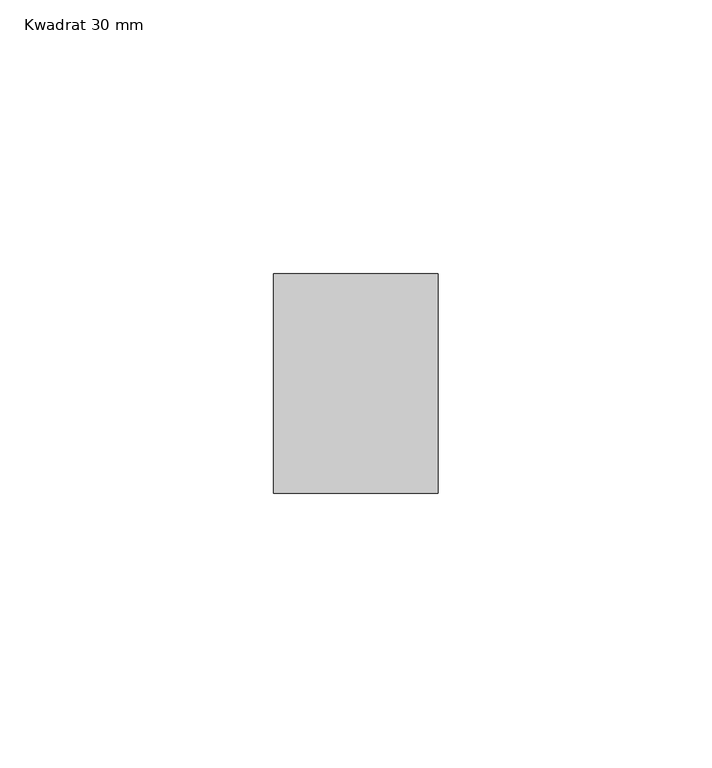
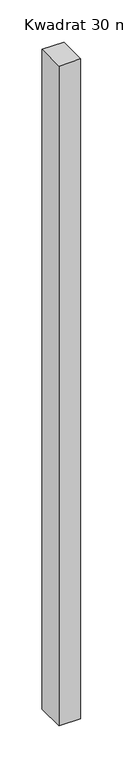
"""IFC4 building model written with IfcOpenShell, lengths in millimetres: member geometry, Kwadrat 30 mm."""

from ifc_helpers import new_model, si_unit, frame, origin, place, context, project, spatial, polyline, outline, extrude, source, transform, mapped, element, save


def kwadrat_30_mm_9a38b022(model_context):
    return source(origin(), model_context, "Body", "SweptSolid", [
        extrude(outline(polyline([(0.0, 20.0), (0.0, -20.0), (-30.0, -20.0), (-30.0, 20.0), (0.0, 20.0)])), frame((0.0, 0.0, -955.0), z_axis=(0.0, 0.0, 1.0), x_axis=(1.0, 0.0, 0.0)), (0.0, 0.0, 1.0), 955.0),
    ])


if __name__ == "__main__":
    model = new_model("IFC4")
    model_context = context("Model", 3, world=origin())
    ifc_project = project(units=[si_unit("LENGTHUNIT", "METRE", prefix="MILLI")], contexts=[model_context])
    site = spatial("IfcSite", under=ifc_project)
    building = spatial("IfcBuilding", under=site)
    placement = place(None, origin())
    kwadrat_30_mm_shape = kwadrat_30_mm_9a38b022(model_context)
    element("IfcMember", 1, ObjectType="Kwadrat 30 mm", at=placement, inside=building, context=model_context, shape_type="MappedRepresentation", body=[
        mapped(kwadrat_30_mm_shape, transform((0.0, 0.0, 0.0), x_axis=(1.0, 0.0, 0.0), y_axis=(0.0, 1.0, 0.0), z_axis=(0.0, 0.0, 1.0))),
    ])
    save(model, "model.ifc")
